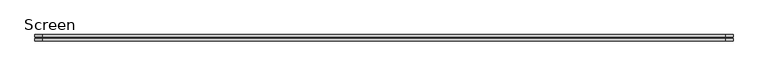
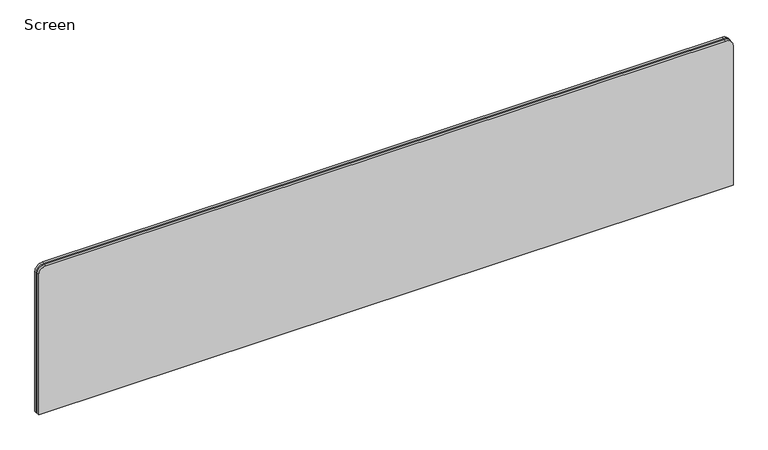
"""IFC4 building model written with IfcOpenShell, lengths in millimetres: furniture geometry, Screen."""

from ifc_helpers import new_model, si_unit, point, frame, frame_2d, origin, place, context, project, spatial, polyline, circle_curve, trimmed, segment, composite_curve, outline, extrude, source, transform, mapped, element, save


def screen_1f535359(model_context):
    return source(origin(), model_context, "Body", "SweptSolid", [
        extrude(outline(composite_curve([segment(polyline([(337.34375, 958.85), (337.34375, -527.05)]), True, "CONTINUOUS"), segment(trimmed(circle_curve(frame_2d((321.46875, -527.05)), 15.875), [point((337.34375, -527.05))], [point((321.46875, -542.925))], False, "CARTESIAN"), True, "CONTINUOUS"), segment(polyline([(321.46875, -542.925), (3.175, -542.925), (3.175, 974.725), (321.46875, 974.725)]), True, "CONTINUOUS"), segment(trimmed(circle_curve(frame_2d((321.46875, 958.85)), 15.875), [point((321.46875, 974.725))], [point((337.34375, 958.85))], False, "CARTESIAN"), True, "CONTINUOUS")], self_intersect=False)), frame((0.0, -201.3409766, 0.0), z_axis=(0.0, 1.0, 0.0), x_axis=(0.0, 0.0, 1.0)), (0.0, 0.0, 1.0), 3.175),
        extrude(outline(composite_curve([segment(polyline([(340.51875, 962.025), (340.51875, -530.225)]), True, "CONTINUOUS"), segment(trimmed(circle_curve(frame_2d((324.64375, -530.225)), 15.875), [point((340.51875, -530.225))], [point((324.64375, -546.1))], False, "CARTESIAN"), True, "CONTINUOUS"), segment(polyline([(324.64375, -546.1), (0.0, -546.1), (0.0, 977.9), (324.64375, 977.9)]), True, "CONTINUOUS"), segment(trimmed(circle_curve(frame_2d((324.64375, 962.025)), 15.875), [point((324.64375, 977.9))], [point((340.51875, 962.025))], False, "CARTESIAN"), True, "CONTINUOUS")], self_intersect=False)), frame((0.0, -198.1659766, 0.0), z_axis=(0.0, 1.0, 0.0), x_axis=(0.0, 0.0, 1.0)), (0.0, 0.0, 1.0), 5.55625),
        extrude(outline(composite_curve([segment(polyline([(340.51875, 962.025), (340.51875, -530.225)]), True, "CONTINUOUS"), segment(trimmed(circle_curve(frame_2d((324.64375, -530.225)), 15.875), [point((340.51875, -530.225))], [point((324.64375, -546.1))], False, "CARTESIAN"), True, "CONTINUOUS"), segment(polyline([(324.64375, -546.1), (0.0, -546.1), (0.0, 977.9), (324.64375, 977.9)]), True, "CONTINUOUS"), segment(trimmed(circle_curve(frame_2d((324.64375, 962.025)), 15.875), [point((324.64375, 977.9))], [point((340.51875, 962.025))], False, "CARTESIAN"), True, "CONTINUOUS")], self_intersect=False)), frame((0.0, -206.8972266, 0.0), z_axis=(0.0, 1.0, 0.0), x_axis=(0.0, 0.0, 1.0)), (0.0, 0.0, 1.0), 5.55625),
    ])


if __name__ == "__main__":
    model = new_model("IFC4")
    model_context = context("Model", 3, world=origin())
    ifc_project = project(units=[si_unit("LENGTHUNIT", "METRE", prefix="MILLI")], contexts=[model_context])
    site = spatial("IfcSite", under=ifc_project)
    building = spatial("IfcBuilding", under=site)
    placement = place(None, origin())
    screen_shape = screen_1f535359(model_context)
    element("IfcFurniture", 1, ObjectType="Screen", at=placement, inside=building, context=model_context, shape_type="MappedRepresentation", body=[
        mapped(screen_shape, transform((0.0, 0.0, 0.0), x_axis=(1.0, 0.0, 0.0), y_axis=(0.0, 1.0, 0.0), z_axis=(0.0, 0.0, 1.0))),
    ])
    save(model, "model.ifc")
